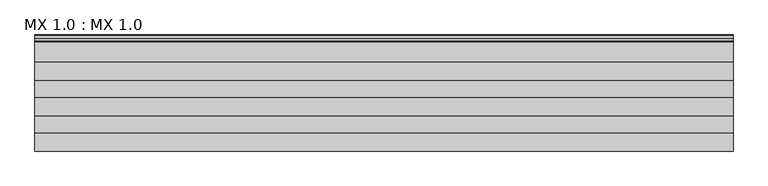
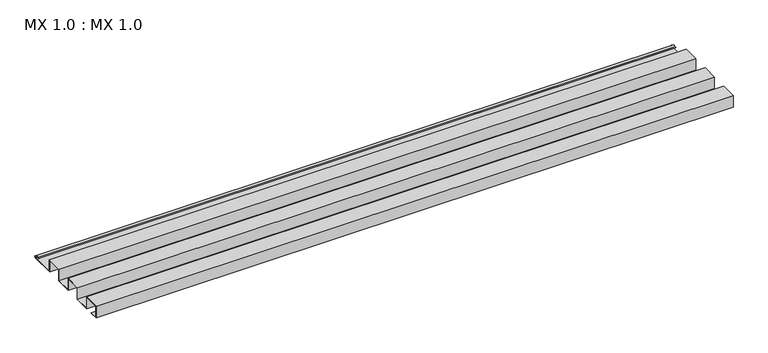
"""IFC4 building model written with IfcOpenShell, lengths in millimetres: proxy geometry, MX 1.0 : MX 1.0."""

import ifcopenshell
import ifcopenshell.guid

model = None  # the IFC model being written
_history = None  # IfcOwnerHistory: only IFC2X3 demands one
_inside = {}  # id of a spatial element -> (the spatial element, [elements in it])
_under = {}  # id of a project, library or spatial element -> (it, [spatial elements below it])
_declared = {}  # id of a project -> (the project, [libraries it declares])
_typed = {}  # id of a type object -> (the type object, [elements of that type])
_made_of = {}  # id of a material, layer set ... -> (it, [elements and type objects made of it])


def new_model(schema):
    """Start an empty IFC model of exactly this schema.

    Asked for "IFC4X3", IfcOpenShell would pick the latest addendum, in which some entities
    have other attributes; the version numbers below select the first issue.
    IFC2X3 requires an IfcOwnerHistory on every rooted entity: one is made here for all.
    """
    global model, _history
    if schema == "IFC4X3":
        model = ifcopenshell.file(schema_version=(4, 3, 0, 0))
    else:
        model = ifcopenshell.file(schema=schema)
    _inside.clear()
    _under.clear()
    _declared.clear()
    _typed.clear()
    _made_of.clear()
    _history = None
    if model.schema == "IFC2X3":
        org = make("IfcOrganization", Name="unknown")
        user = make(
            "IfcPersonAndOrganization",
            ThePerson=make("IfcPerson", FamilyName="unknown"),
            TheOrganization=org,
        )
        app = make(
            "IfcApplication",
            ApplicationDeveloper=org,
            Version="unknown",
            ApplicationFullName="unknown",
            ApplicationIdentifier="unknown",
        )
        _history = make(
            "IfcOwnerHistory",
            OwningUser=user,
            OwningApplication=app,
            ChangeAction="ADDED",
            CreationDate=0,
        )
    return model


def make(cls, **values):
    """One entity of the class cls with the attributes given. An attribute that is None is left unset."""
    return model.create_entity(
        cls, **{name: value for name, value in values.items() if value is not None}
    )


def rooted(cls, **values):
    """An entity with a GlobalId (a new one), such as an element, a storey or a relation."""
    return make(cls, GlobalId=ifcopenshell.guid.new(), OwnerHistory=_history, **values)


def si_unit(unit_type, name, prefix=None):
    """IfcSIUnit, for example si_unit("LENGTHUNIT", "METRE", prefix="MILLI")."""
    return make("IfcSIUnit", UnitType=unit_type, Prefix=prefix, Name=name)


def assignment(units):
    """IfcUnitAssignment: the units of a project."""
    return None if units is None else make("IfcUnitAssignment", Units=units)


def point(xyz):
    """IfcCartesianPoint."""
    return None if xyz is None else make("IfcCartesianPoint", Coordinates=xyz)


def direction(xyz):
    """IfcDirection."""
    return None if xyz is None else make("IfcDirection", DirectionRatios=xyz)


def frame(location, z_axis=None, x_axis=None):
    """IfcAxis2Placement3D, a coordinate frame: its origin and axes. An axis left out is left unset."""
    return make(
        "IfcAxis2Placement3D",
        Location=point(location),
        Axis=direction(z_axis),
        RefDirection=direction(x_axis),
    )


def frame_2d(location, x_axis=None):
    """IfcAxis2Placement2D, a coordinate frame in the plane: its origin and x axis."""
    return make(
        "IfcAxis2Placement2D", Location=point(location), RefDirection=direction(x_axis)
    )


def origin():
    """The frame at (0, 0, 0) with its axes left unset."""
    return frame((0.0, 0.0, 0.0))


def place(relative_to, where):
    """IfcLocalPlacement: puts the frame where relative to a parent placement (None: the world)."""
    return make(
        "IfcLocalPlacement", PlacementRelTo=relative_to, RelativePlacement=where
    )


def context(
    kind, dimensions, precision=None, world=None, true_north=None, identifier=None
):
    """IfcGeometricRepresentationContext, for example the 3D "Model" context."""
    return make(
        "IfcGeometricRepresentationContext",
        ContextIdentifier=identifier,
        ContextType=kind,
        CoordinateSpaceDimension=dimensions,
        Precision=precision,
        WorldCoordinateSystem=world,
        TrueNorth=true_north,
    )


def project(units=None, contexts=None):
    """IfcProject with its units and contexts."""
    return rooted(
        "IfcProject",
        Name="project",
        RepresentationContexts=contexts,
        UnitsInContext=assignment(units),
    )


def spatial(cls, under=None, at=None, **own):
    """A site, building, storey or space (cls), placed at a placement, below another one or the project."""
    s = rooted(cls, ObjectPlacement=at, **own)
    if under is not None:
        _under.setdefault(under.id(), (under, []))[1].append(s)
    return s


def polyline(points):
    """IfcPolyline through the points."""
    return make("IfcPolyline", Points=[point(p) for p in points])


def circle_curve(where, radius):
    """IfcCircle in the frame where."""
    return make("IfcCircle", Position=where, Radius=radius)


def trimmed(basis, trim1, trim2, sense, master):
    """IfcTrimmedCurve: the piece of a basis curve between two trims."""
    return make(
        "IfcTrimmedCurve",
        BasisCurve=basis,
        Trim1=trim1,
        Trim2=trim2,
        SenseAgreement=sense,
        MasterRepresentation=master,
    )


def segment(curve, same_sense, transition):
    """IfcCompositeCurveSegment."""
    return make(
        "IfcCompositeCurveSegment",
        Transition=transition,
        SameSense=same_sense,
        ParentCurve=curve,
    )


def composite_curve(segments, self_intersect=None):
    """IfcCompositeCurve: segments joined end to end."""
    return make("IfcCompositeCurve", Segments=segments, SelfIntersect=self_intersect)


def outline(outer, holes=None, kind="AREA"):
    """IfcArbitraryClosedProfileDef: a profile drawn as a closed curve; with holes, ...WithVoids."""
    if holes is None:
        return make("IfcArbitraryClosedProfileDef", ProfileType=kind, OuterCurve=outer)
    return make(
        "IfcArbitraryProfileDefWithVoids",
        ProfileType=kind,
        OuterCurve=outer,
        InnerCurves=holes,
    )


def extrude(swept, where, along, depth):
    """IfcExtrudedAreaSolid: the profile swept, set in the frame where, extruded along a direction by depth."""
    return make(
        "IfcExtrudedAreaSolid",
        SweptArea=swept,
        Position=where,
        ExtrudedDirection=direction(along),
        Depth=depth,
    )


def shape(context_of_items, identifier, shape_type, items):
    """IfcShapeRepresentation: the items that make up one representation, for example the "Body"."""
    return make(
        "IfcShapeRepresentation",
        ContextOfItems=context_of_items,
        RepresentationIdentifier=identifier,
        RepresentationType=shape_type,
        Items=items,
    )


def source(mapping_origin, context_of_items, identifier, shape_type, items):
    """IfcRepresentationMap: a shape defined once, which mapped items show again and again."""
    return make(
        "IfcRepresentationMap",
        MappingOrigin=mapping_origin,
        MappedRepresentation=shape(context_of_items, identifier, shape_type, items),
    )


def transform(
    local_origin,
    x_axis=None,
    y_axis=None,
    z_axis=None,
    scale=None,
    scale2=None,
    scale3=None,
    uniform=True,
):
    """IfcCartesianTransformationOperator3D, or its non-uniform kind. x_axis, y_axis, z_axis: its Axis1, 2, 3."""
    if uniform:
        return make(
            "IfcCartesianTransformationOperator3D",
            Axis1=direction(x_axis),
            Axis2=direction(y_axis),
            LocalOrigin=point(local_origin),
            Scale=scale,
            Axis3=direction(z_axis),
        )
    return make(
        "IfcCartesianTransformationOperator3DnonUniform",
        Axis1=direction(x_axis),
        Axis2=direction(y_axis),
        LocalOrigin=point(local_origin),
        Scale=scale,
        Axis3=direction(z_axis),
        Scale2=scale2,
        Scale3=scale3,
    )


def mapped(mapping_source, mapping_target):
    """IfcMappedItem: shows the shape of a source again, moved by a transform."""
    return make(
        "IfcMappedItem", MappingSource=mapping_source, MappingTarget=mapping_target
    )


def made_of(thing, what):
    """Note that an element or type object is made of a material, layer set ...; save() writes the relation."""
    if what is not None:
        _made_of.setdefault(what.id(), (what, []))[1].append(thing)
    return thing


def element(
    cls,
    number,
    at=None,
    inside=None,
    cuts=None,
    type_object=None,
    material=None,
    context=None,
    identifier="Body",
    shape_type=None,
    held_by="IfcProductDefinitionShape",
    body=None,
    shapes=None,
    **own,
):
    """One element of the class cls, such as IfcWall. Its Tag is "e" and its number.

    at: its placement. inside: the storey or other place that contains it. cuts: it is an
    opening in that element (IfcRelVoidsElement). A single representation is given by context,
    identifier, shape_type and body (its items); several are given by shapes. held_by: the class
    of the entity that holds the representations. save() writes the other relations.
    """
    e = rooted(cls, Tag="e%d" % number, ObjectPlacement=at, **own)
    if body is not None:
        shapes = [shape(context, identifier, shape_type, body)]
    if shapes is not None:
        e.Representation = make(held_by, Representations=shapes)
    if inside is not None:
        _inside.setdefault(inside.id(), (inside, []))[1].append(e)
    if cuts is not None:
        rooted(
            "IfcRelVoidsElement", RelatingBuildingElement=cuts, RelatedOpeningElement=e
        )
    if type_object is not None:
        _typed.setdefault(type_object.id(), (type_object, []))[1].append(e)
    return made_of(e, material)


def aggregate(whole, parts):
    """IfcRelAggregates: a whole, such as a stair, and the parts it consists of."""
    return rooted("IfcRelAggregates", RelatingObject=whole, RelatedObjects=parts)


def save(model, path):
    """Write the relations noted so far, then the file.

    IfcRelAggregates (storeys below a building ...), IfcRelContainedInSpatialStructure (elements
    in a storey), IfcRelDefinesByType, IfcRelAssociatesMaterial and IfcRelDeclares: one each for
    every whole, place, type object, material and project.
    """
    for whole, parts in _under.values():
        aggregate(whole, parts)
    for where, things in _inside.values():
        rooted(
            "IfcRelContainedInSpatialStructure",
            RelatedElements=things,
            RelatingStructure=where,
        )
    for kind, things in _typed.values():
        rooted("IfcRelDefinesByType", RelatedObjects=things, RelatingType=kind)
    for what, things in _made_of.values():
        rooted("IfcRelAssociatesMaterial", RelatedObjects=things, RelatingMaterial=what)
    for by, libraries in _declared.values():
        rooted("IfcRelDeclares", RelatingContext=by, RelatedDefinitions=libraries)
    model.write(path)


def mx_1_0_mx_1_0_468e64d7(model_context):
    return source(origin(), model_context, "Body", "SweptSolid", [
        extrude(outline(composite_curve([segment(polyline([(0.0, 0.0), (0.0, 38.0), (50.0, 38.0), (50.0, 0.0), (100.0, 0.0), (100.0, 38.0), (150.0, 38.0), (150.0, 0.0), (200.0, 0.0), (200.0, 38.0), (250.0, 38.0), (250.0, 0.0), (325.0510156, 0.0)]), True, "CONTINUOUS"), segment(trimmed(circle_curve(frame_2d((324.3094696, 1.9153551)), 2.0538928), [point((325.0510156, 0.0))], [point((325.1748462, 3.778041))], True, "CARTESIAN"), True, "CONTINUOUS"), segment(polyline([(325.1748462, 3.778041), (308.7874714, 6.923107)]), True, "CONTINUOUS"), segment(trimmed(circle_curve(frame_2d((309.4078886, 8.6005442)), 1.7884947), [point((308.7874714, 6.923107))], [point((308.9525789, 10.3301125))], False, "CARTESIAN"), True, "CONTINUOUS"), segment(polyline([(308.9525789, 10.3301125), (316.459338, 11.6715995), (316.635255, 10.6871945), (309.1762081, 9.3542338)]), True, "CONTINUOUS"), segment(trimmed(circle_curve(frame_2d((309.4078886, 8.6005442)), 0.7884947), [point((309.1762081, 9.3542338))], [point((309.0735117, 7.8864603))], True, "CARTESIAN"), True, "CONTINUOUS"), segment(polyline([(309.0735117, 7.8864603), (325.4722719, 4.7392091)]), True, "CONTINUOUS"), segment(trimmed(circle_curve(frame_2d((324.3094696, 1.9153551)), 3.0538928), [point((325.4722719, 4.7392091))], [point((325.2188462, -1.0))], False, "CARTESIAN"), True, "CONTINUOUS"), segment(polyline([(325.2188462, -1.0), (249.0, -1.0), (249.0, 37.0), (201.0, 37.0), (201.0, -1.0), (149.0, -1.0), (149.0, 37.0), (101.0, 37.0), (101.0, -1.0), (49.0, -1.0), (49.0, 37.0), (1.0, 37.0), (1.0, 1.0), (25.0, 1.0), (25.0, 0.0), (0.0, 0.0)]), True, "CONTINUOUS")], self_intersect=False)), frame((0.0, 0.0, 0.0), z_axis=(1.0, 0.0, 0.0), x_axis=(0.0, 1.0, 0.0)), (0.0, 0.0, 1.0), 1968.5604387),
    ])


if __name__ == "__main__":
    model = new_model("IFC4")
    model_context = context("Model", 3, world=origin())
    ifc_project = project(units=[si_unit("LENGTHUNIT", "METRE", prefix="MILLI")], contexts=[model_context])
    site = spatial("IfcSite", under=ifc_project)
    building = spatial("IfcBuilding", under=site)
    placement = place(None, origin())
    mx_1_0_mx_1_0_shape = mx_1_0_mx_1_0_468e64d7(model_context)
    element("IfcBuildingElementProxy", 1, Name="MX 1.0 : MX 1.0", ObjectType="MX 1.0 : MX 1.0", at=placement, inside=building, context=model_context, shape_type="MappedRepresentation", body=[
        mapped(mx_1_0_mx_1_0_shape, transform((0.0, 0.0, 0.0), x_axis=(1.0, 0.0, 0.0), y_axis=(0.0, 1.0, 0.0), z_axis=(0.0, 0.0, 1.0))),
    ])
    save(model, "model.ifc")
